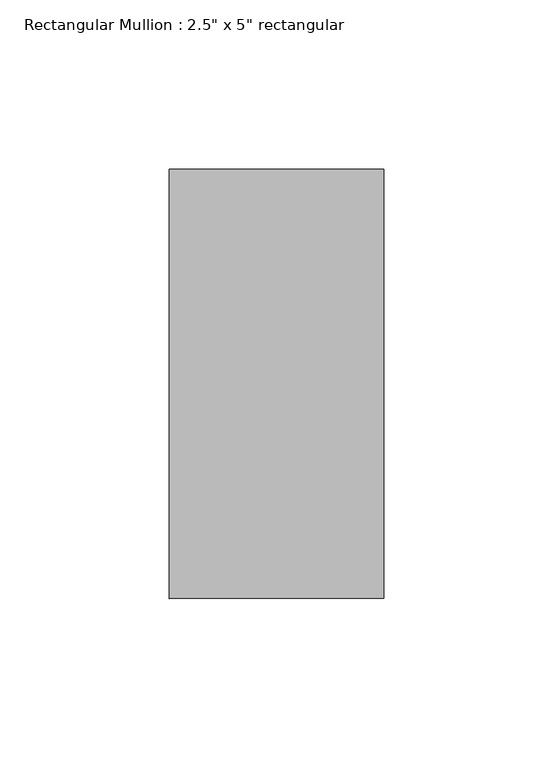
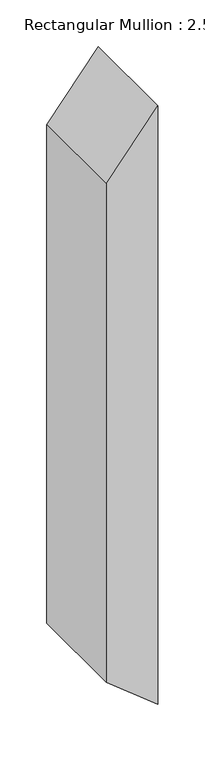
"""IFC4 building model written with IfcOpenShell, lengths in millimetres: member geometry."""

from ifc_helpers import new_model, si_unit, frame, origin, place, context, project, spatial, polyline, outline, extrude, source, transform, mapped, element, save


def member_408199ef(model_context):
    return source(origin(), model_context, "Body", "SweptSolid", [
        extrude(outline(polyline([(0.0, 0.0), (-79.5673623, -63.5), (-729.6606041, -63.5), (-780.3815852, 0.0), (0.0, 0.0)])), frame((0.0, -63.5, 0.0), z_axis=(0.0, 1.0, 0.0), x_axis=(0.0, 0.0, 1.0)), (0.0, 0.0, 1.0), 127.0),
    ])


if __name__ == "__main__":
    model = new_model("IFC4")
    model_context = context("Model", 3, world=origin())
    ifc_project = project(units=[si_unit("LENGTHUNIT", "METRE", prefix="MILLI")], contexts=[model_context])
    site = spatial("IfcSite", under=ifc_project)
    building = spatial("IfcBuilding", under=site)
    placement = place(None, origin())
    member_shape = member_408199ef(model_context)
    element("IfcMember", 1, ObjectType="Rectangular Mullion : 2.5\" x 5\" rectangular", at=placement, inside=building, context=model_context, shape_type="MappedRepresentation", body=[
        mapped(member_shape, transform((0.0, 0.0, 0.0), x_axis=(1.0, 0.0, 0.0), y_axis=(0.0, 1.0, 0.0), z_axis=(0.0, 0.0, 1.0))),
    ])
    save(model, "model.ifc")
